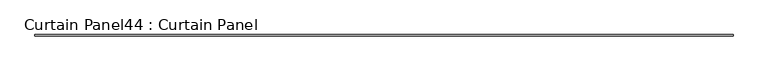
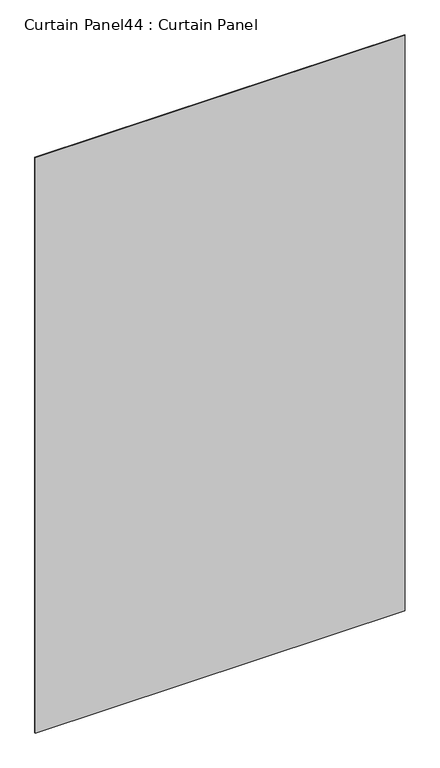
"""IFC4 building model written with IfcOpenShell, lengths in millimetres: plate geometry, Curtain Panel44 : Curtain Panel."""

from ifc_helpers import new_model, si_unit, frame, origin, place, context, project, spatial, polyline, outline, extrude, source, transform, mapped, element, save


def curtain_panel44_curtain_panel_bb064349(model_context):
    return source(origin(), model_context, "Body", "SweptSolid", [
        extrude(outline(polyline([(16565.4572035, 1762.4010947), (12798.2279472, 1762.4010947), (12798.2279472, 1768.7510947), (16565.4572035, 1768.7510947), (16565.4572035, 1762.4010947)])), frame((0.0, 0.0, 1621.057846), z_axis=(0.0, 0.0, 1.0), x_axis=(1.0, 0.0, 0.0)), (0.0, 0.0, 1.0), 6190.6927135),
    ])


if __name__ == "__main__":
    model = new_model("IFC4")
    model_context = context("Model", 3, world=origin())
    ifc_project = project(units=[si_unit("LENGTHUNIT", "METRE", prefix="MILLI")], contexts=[model_context])
    site = spatial("IfcSite", under=ifc_project)
    building = spatial("IfcBuilding", under=site)
    placement = place(None, origin())
    curtain_panel44_curtain_panel_shape = curtain_panel44_curtain_panel_bb064349(model_context)
    element("IfcPlate", 1, ObjectType="Curtain Panel44 : Curtain Panel", at=placement, inside=building, context=model_context, shape_type="MappedRepresentation", body=[
        mapped(curtain_panel44_curtain_panel_shape, transform((0.0, 0.0, 0.0), x_axis=(1.0, 0.0, 0.0), y_axis=(0.0, 1.0, 0.0), z_axis=(0.0, 0.0, 1.0))),
    ])
    save(model, "model.ifc")
